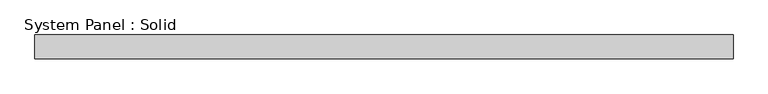
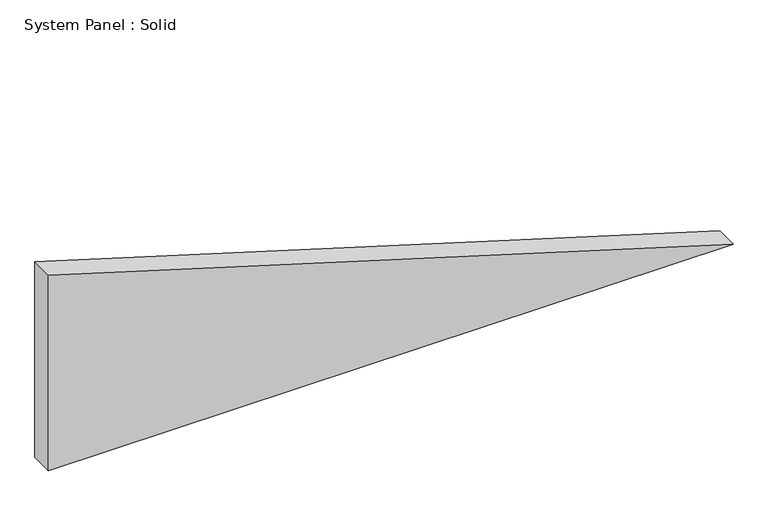
"""IFC4 building model written with IfcOpenShell, lengths in millimetres: plate geometry, System Panel : Solid."""

from ifc_helpers import new_model, si_unit, frame, origin, place, context, project, spatial, polyline, outline, extrude, source, transform, mapped, element, save


def system_panel_solid_8d72a368(model_context):
    return source(origin(), model_context, "Body", "SweptSolid", [
        extrude(outline(polyline([(0.0, -873.4708547), (0.0, 873.4708547), (528.2729723, -873.4708547), (0.0, -873.4708547)])), frame((0.0, -10.5, 0.0), z_axis=(0.0, 1.0, 0.0), x_axis=(0.0, 0.0, 1.0)), (0.0, 0.0, 1.0), 60.0),
    ])


if __name__ == "__main__":
    model = new_model("IFC4")
    model_context = context("Model", 3, world=origin())
    ifc_project = project(units=[si_unit("LENGTHUNIT", "METRE", prefix="MILLI")], contexts=[model_context])
    site = spatial("IfcSite", under=ifc_project)
    building = spatial("IfcBuilding", under=site)
    placement = place(None, origin())
    system_panel_solid_shape = system_panel_solid_8d72a368(model_context)
    element("IfcPlate", 1, ObjectType="System Panel : Solid", at=placement, inside=building, context=model_context, shape_type="MappedRepresentation", body=[
        mapped(system_panel_solid_shape, transform((0.0, 0.0, 0.0), x_axis=(1.0, 0.0, 0.0), y_axis=(0.0, 1.0, 0.0), z_axis=(0.0, 0.0, 1.0))),
    ])
    save(model, "model.ifc")
